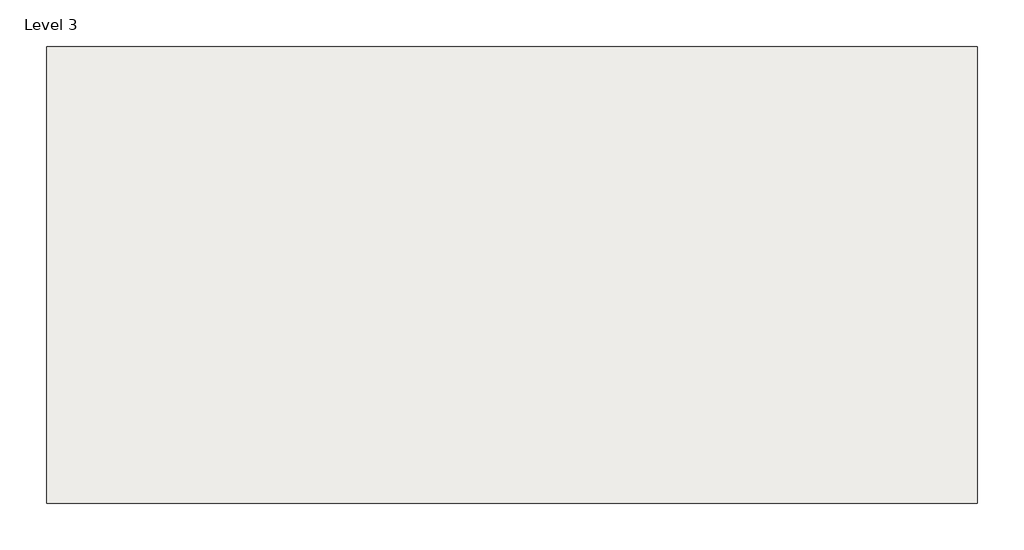
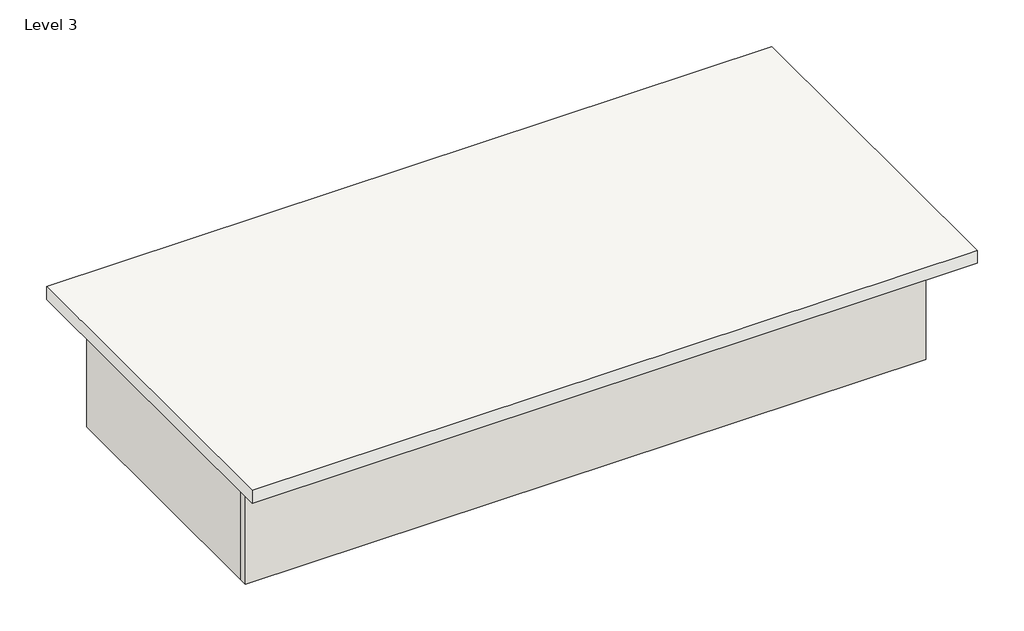
# One storey: 5 walls, 1 slab.
"""IFC4 building model written with IfcOpenShell, lengths in millimetres."""

from ifc_helpers import new_model, si_unit, frame, origin, place, context, project, spatial, polyline, outline, extrude, faceted_brep, element, save

model = new_model("IFC4")

# Units and contexts
model_context = context("Model", 3, world=origin())
ifc_project = project(units=[si_unit("LENGTHUNIT", "METRE", prefix="MILLI")], contexts=[model_context])

# Site, building, storey
site = spatial("IfcSite", under=ifc_project)
building = spatial("IfcBuilding", under=site)
storey = spatial("IfcBuildingStorey", under=building, Name="Level 3", Elevation=6000.0)

# Slab
placement = place(None, origin())
element("IfcSlab", 1, ObjectType="Generic 300mm", at=placement, inside=storey, context=model_context, shape_type="SweptSolid", body=[
    extrude(outline(polyline([(1401.9625697, 7621.4727256), (1401.9625697, -278.5272744), (-14698.0374303, -278.5272744), (-14698.0374303, 7621.4727256), (1401.9625697, 7621.4727256)])), frame((0.0, 0.0, 5700.0), z_axis=(0.0, 0.0, 1.0), x_axis=(1.0, 0.0, 0.0)), (0.0, 0.0, 1.0), 300.0),
])

# Walls
element("IfcWall", 2, ObjectType="Generic - 200mm", at=placement, inside=storey, context=model_context, shape_type="Brep", body=[
    faceted_brep([(-14241.3311483, 772.6109772, 3000.0), (858.6688517, 772.6109772, 3000.0), (858.6688517, 772.6109772, 5700.0), (-14241.3311483, 772.6109772, 5700.0), (-14241.3311483, 972.6109772, 3000.0), (-14241.3311483, 972.6109772, 5700.0), (-14041.3311483, 972.6109772, 5700.0), (-3141.3311483, 972.6109772, 5700.0), (-2941.3311483, 972.6109772, 5700.0), (-241.3311483, 972.6109772, 5700.0), (-41.3311483, 972.6109772, 5700.0), (858.6688517, 972.6109772, 5700.0), (858.6688517, 972.6109772, 3000.0), (-41.3311483, 972.6109772, 3000.0), (-241.3311483, 972.6109772, 3000.0), (-2941.3311483, 972.6109772, 3000.0), (-3141.3311483, 972.6109772, 3000.0), (-14041.3311483, 972.6109772, 3000.0)], [[[0, 1, 2, 3]], [[4, 5, 6, 7, 8, 9, 10, 11, 12, 13, 14, 15, 16, 17]], [[1, 0, 4, 17, 16, 15, 14, 13, 12]], [[2, 1, 12, 11]], [[0, 3, 5, 4]], [[3, 2, 11, 10, 9, 8, 7, 6, 5]]]),
])
element("IfcWall", 3, ObjectType="Generic - 200mm", at=placement, inside=storey, context=model_context, shape_type="Brep", body=[
    faceted_brep([(-14041.3311483, 972.6109772, 3000.0), (-14041.3311483, 6672.6109772, 3000.0), (-14041.3311483, 6872.6109772, 3000.0), (-14041.3311483, 6872.6109772, 5700.0), (-14041.3311483, 6672.6109772, 5700.0), (-14041.3311483, 972.6109772, 5700.0), (-14241.3311483, 972.6109772, 3000.0), (-14241.3311483, 972.6109772, 5700.0), (-14241.3311483, 6872.6109772, 5700.0), (-14241.3311483, 6872.6109772, 3000.0)], [[[0, 1, 2, 3, 4, 5]], [[6, 7, 8, 9]], [[2, 1, 0, 6, 9]], [[0, 5, 7, 6]], [[3, 2, 9, 8]], [[5, 4, 3, 8, 7]]]),
])
element("IfcWall", 4, ObjectType="Generic - 200mm", at=placement, inside=storey, context=model_context, shape_type="Brep", body=[
    faceted_brep([(-14041.3311483, 6672.6109772, 3000.0), (-3141.3311483, 6672.6109772, 3000.0), (-2941.3311483, 6672.6109772, 3000.0), (-241.3311483, 6672.6109772, 3000.0), (-41.3311483, 6672.6109772, 3000.0), (-41.3311483, 6672.6109772, 5700.0), (-241.3311483, 6672.6109772, 5700.0), (-2941.3311483, 6672.6109772, 5700.0), (-3141.3311483, 6672.6109772, 5700.0), (-14041.3311483, 6672.6109772, 5700.0), (-14041.3311483, 6872.6109772, 3000.0), (-14041.3311483, 6872.6109772, 5700.0), (-41.3311483, 6872.6109772, 5700.0), (-41.3311483, 6872.6109772, 3000.0)], [[[0, 1, 2, 3, 4, 5, 6, 7, 8, 9]], [[10, 11, 12, 13]], [[4, 3, 2, 1, 0, 10, 13]], [[0, 9, 11, 10]], [[5, 4, 13, 12]], [[9, 8, 7, 6, 5, 12, 11]]]),
])
element("IfcWall", 5, ObjectType="Generic - 200mm", at=placement, inside=storey, context=model_context, shape_type="SweptSolid", body=[
    extrude(outline(polyline([(-241.3311483, 972.6109772), (-241.3311483, 6672.6109772), (-41.3311483, 6672.6109772), (-41.3311483, 972.6109772), (-241.3311483, 972.6109772)])), frame((0.0, 0.0, 3000.0), z_axis=(0.0, 0.0, 1.0), x_axis=(1.0, 0.0, 0.0)), (0.0, 0.0, 1.0), 2700.0),
])
element("IfcWall", 6, ObjectType="Generic - 200mm", at=placement, inside=storey, context=model_context, shape_type="SweptSolid", body=[
    extrude(outline(polyline([(-3141.3311483, 972.6109772), (-3141.3311483, 6672.6109772), (-2941.3311483, 6672.6109772), (-2941.3311483, 972.6109772), (-3141.3311483, 972.6109772)])), frame((0.0, 0.0, 3000.0), z_axis=(0.0, 0.0, 1.0), x_axis=(1.0, 0.0, 0.0)), (0.0, 0.0, 1.0), 2700.0),
])

save(model, "model.ifc")
